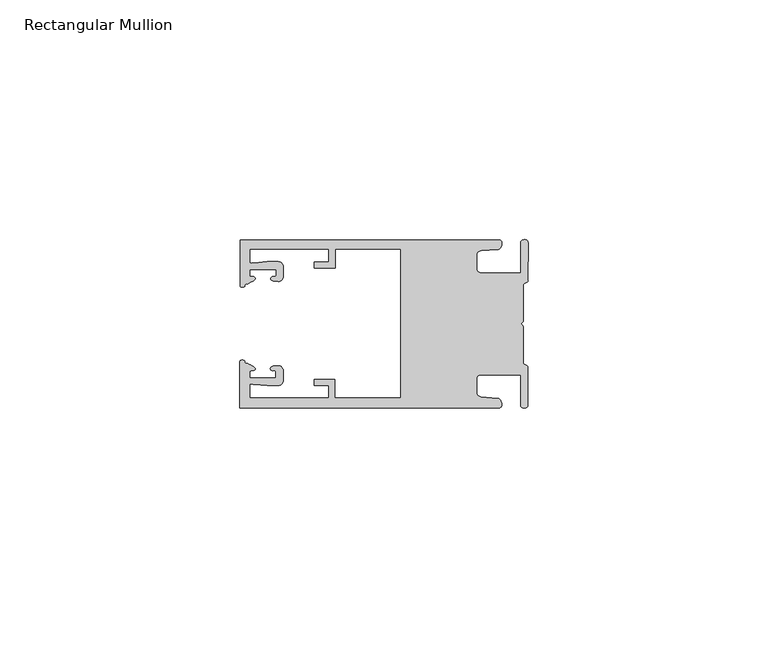
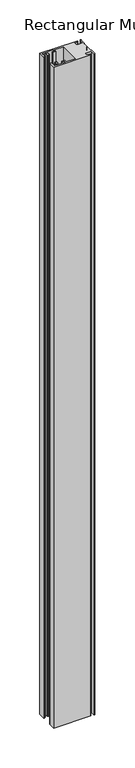
"""IFC4 building model written with IfcOpenShell, lengths in millimetres: member geometry, Rectangular Mullion."""

from ifc_helpers import new_model, si_unit, frame, origin, place, context, project, spatial, circle_curve, source, transform, mapped, element, save
from ifc_brep_helpers import plane_surface, cylinder_surface, extruded_surface, spline_curve, advanced_brep


def rectangular_mullion_5ef35bb8(model_context):
    return source(origin(), model_context, "Body", "AdvancedBrep", [
        advanced_brep(
        [(-60.0749377, 17.5111528, 0.0), (-60.0749377, 8.0140787, 0.0), (-59.3252567, 7.7187455, 0.0), (-58.4967974, 8.36785, 0.0), (-58.0726619, 10.1173923, 0.0), (-58.0713101, 11.3673916, 0.0), (-52.5713133, 11.3614437, 0.0), (-52.5726651, 10.1114444, 0.0), (-53.1427626, 8.8955539, 0.0), (-52.0740172, 8.8609044, 0.0), (-51.0729364, 9.8598224, 0.0), (-51.0706653, 11.9598211, 0.0), (-52.0700692, 12.9609024, 0.0), (-54.3905105, 12.9622843, 0.0), (-57.1599646, 12.7230061, 0.0), (-58.0696339, 12.9173907, 0.0), (-58.066768, 15.5673891, 0.0), (-41.5667584, 15.5673891, 0.0), (-41.5695894, 12.9495468, 0.0), (-44.5695877, 12.9527912, 0.0), (-44.5709936, 11.6527919, 0.0), (-40.2709961, 11.6481417, 0.0), (-40.2667576, 15.5673891, 0.0), (-26.6002952, 15.5673891, 0.0), (-26.6002952, -15.4518424, 0.0), (-40.3003032, -15.4518424, 0.0), (-40.2960856, -11.5518447, 0.0), (-44.5960831, -11.5471945, 0.0), (-44.597489, -12.8471938, 0.0), (-41.5974907, -12.8504381, 0.0), (-41.6003025, -15.4504366, 0.0), (-58.1002928, -15.4325927, 0.0), (-58.097427, -12.7825943, 0.0), (-57.1873395, -12.5901776, 0.0), (-54.4184094, -12.8354453, 0.0), (-52.0979705, -12.8390822, 0.0), (-51.0964037, -11.8401649, 0.0), (-51.0941327, -9.7401662, 0.0), (-52.0930507, -8.7390853, 0.0), (-53.1618685, -8.7714231, 0.0), (-52.5944022, -9.9885439, 0.0), (-52.595754, -11.2385431, 0.0), (-58.0957508, -11.2325952, 0.0), (-58.094399, -9.9825959, 0.0), (-58.5147494, -8.2321403, 0.0), (-59.3418028, -7.5812455, 0.0), (-60.0921208, -7.8749565, 0.0), (-60.0921208, -17.4888267, 0.0), (-6.1024861, -17.4888267, 0.0), (-6.5218639, -15.488372, 0.0), (-9.8784944, -15.2205466, 0.0), (-10.7989567, -14.2226333, 0.0), (-10.7961029, -11.5837474, 0.0), (-9.8734844, -10.5878272, 0.0), (-1.5950266, -10.5934991, 0.0), (-1.601948, -16.9936935, 0.0), (-0.1017194, -16.7830581, 0.0), (-0.0933208, -9.0170082, 0.0), (-1.0923837, -8.1499018, 0.0), (-1.0842165, -0.5977972, 0.0), (-1.0829111, 0.6093089, 0.0), (-1.0747439, 8.1614135, 0.0), (-0.0738079, 9.026357, 0.0), (-0.0654093, 16.7924069, 0.0), (-1.5651789, 17.0062866, 0.0), (-1.5651789, 10.6183257, 0.0), (-9.8505511, 10.6183257, 0.0), (-10.7710133, 11.6162391, 0.0), (-10.7681595, 14.255125, 0.0), (-9.845541, 15.2510452, 0.0), (-6.4883391, 15.5116099, 0.0), (-6.0646356, 17.5111528, 0.0), (-60.0749377, 17.5111528, -1016.0), (-6.0646356, 17.5111528, -1016.0), (-6.4883391, 15.5116099, -1016.0), (-9.845541, 15.2510452, -1016.0), (-10.7681595, 14.255125, -1016.0), (-10.7710133, 11.6162391, -1016.0), (-9.8505511, 10.6183257, -1016.0), (-1.5651789, 10.6183257, -1016.0), (-1.5651789, 17.0062866, -1016.0), (-0.0654093, 16.7924069, -1016.0), (-0.0738079, 9.026357, -1016.0), (-1.0747439, 8.1614135, -1016.0), (-1.0829111, 0.6093089, -1016.0), (-1.0842165, -0.5977972, -1016.0), (-1.0923837, -8.1499018, -1016.0), (-0.0933208, -9.0170082, -1016.0), (-0.1017194, -16.7830581, -1016.0), (-1.601948, -16.9936935, -1016.0), (-1.5950266, -10.5934991, -1016.0), (-9.8734844, -10.5878272, -1016.0), (-10.7961029, -11.5837474, -1016.0), (-10.7989567, -14.2226333, -1016.0), (-9.8784944, -15.2205466, -1016.0), (-6.5218639, -15.488372, -1016.0), (-6.1024861, -17.4888267, -1016.0), (-60.0921208, -17.4888267, -1016.0), (-60.0921208, -7.8749565, -1016.0), (-59.3418028, -7.5812455, -1016.0), (-58.5147494, -8.2321403, -1016.0), (-58.094399, -9.9825959, -1016.0), (-58.0957508, -11.2325952, -1016.0), (-52.595754, -11.2385431, -1016.0), (-52.5944022, -9.9885439, -1016.0), (-53.1618685, -8.7714231, -1016.0), (-52.0930507, -8.7390853, -1016.0), (-51.0941327, -9.7401662, -1016.0), (-51.0964037, -11.8401649, -1016.0), (-52.0979705, -12.8390823, -1016.0), (-54.4184094, -12.8354453, -1016.0), (-57.1873395, -12.5901776, -1016.0), (-58.097427, -12.7825943, -1016.0), (-58.1002928, -15.4325927, -1016.0), (-41.6003025, -15.4504366, -1016.0), (-41.5974907, -12.8504381, -1016.0), (-44.597489, -12.8471938, -1016.0), (-44.5960831, -11.5471945, -1016.0), (-40.2960856, -11.5518447, -1016.0), (-40.3003032, -15.4518424, -1016.0), (-26.6002952, -15.4518424, -1016.0), (-26.6002952, 15.5673891, -1016.0), (-40.2667576, 15.5673891, -1016.0), (-40.2709961, 11.6481417, -1016.0), (-44.5709936, 11.6527919, -1016.0), (-44.5695877, 12.9527912, -1016.0), (-41.5695894, 12.9495468, -1016.0), (-41.5667584, 15.5673891, -1016.0), (-58.066768, 15.5673891, -1016.0), (-58.0696339, 12.9173907, -1016.0), (-57.1599646, 12.7230061, -1016.0), (-54.3905105, 12.9622843, -1016.0), (-52.0700692, 12.9609023, -1016.0), (-51.0706653, 11.9598211, -1016.0), (-51.0729364, 9.8598224, -1016.0), (-52.0740172, 8.8609044, -1016.0), (-53.1427626, 8.8955539, -1016.0), (-52.5726651, 10.1114444, -1016.0), (-52.5713133, 11.3614437, -1016.0), (-58.0713101, 11.3673916, -1016.0), (-58.0726619, 10.1173923, -1016.0), (-58.4967974, 8.36785, -1016.0), (-59.3252567, 7.7187455, -1016.0), (-60.0749377, 8.0140787, -1016.0)],
        [
            (0, 1),
            (1, 2, spline_curve(3, [(-60.0749377, 8.0140787, 0.0), (-60.075233123, 7.740904774, 0.0), (-59.825339491, 7.642460332, 0.0), (-59.3252567, 7.7187455, 0.0)], [4, 4], [0.0, 0.0019169337574178654])),
            (2, 3, spline_curve(3, [(-59.3252567, 7.7187455, 0.0), (-59.094460914, 7.75918372, 0.0), (-59.054835463, 7.902257199, 0.0), (-59.05559987, 8.233305614, 0.0), (-59.138729113, 8.4134359, 0.0), (-58.4967974, 8.36785, 0.0)], [4, 2, 4], [0.0, 0.0010199524164107188, 0.0024874514725970356])),
            (3, 4, spline_curve(3, [(-58.4967974, 8.36785, 0.0), (-57.022393378, 9.053435667, 0.0), (-56.827266887, 9.364828726, 0.0), (-56.982213078, 9.742623404, 0.0), (-57.177375211, 9.855581791, 0.0), (-57.697928101, 9.887955071, 0.0), (-57.997449153, 9.835475348, 0.0), (-58.0726619, 10.1173923, 0.0)], [4, 2, 2, 4], [0.0, 0.003269869179570428, 0.005490050486237203, 0.0073545767114364426])),
            (4, 5),
            (5, 6),
            (6, 7),
            (7, 8, spline_curve(3, [(-52.5726651, 10.1114444, 0.0), (-52.667195519, 9.760172042, 0.0), (-52.937094388, 9.861877724, 0.0), (-53.356237032, 9.895631753, 0.0), (-53.491940439, 9.811038713, 0.0), (-53.761900775, 9.511438033, 0.0), (-53.892893546, 9.278787104, 0.0), (-53.1427626, 8.8955539, 0.0)], [4, 2, 2, 4], [0.0, 0.001593963049934732, 0.0033360256320283306, 0.005339140673503943])),
            (8, 9),
            (9, 10, circle_curve(frame((-52.0729358, 9.8609038, 0.0), z_axis=(0.0, 0.0, 1.0), x_axis=(-0.0010814451158600304, -0.9999994152380598, 0.0)), 1.0)),
            (10, 11),
            (11, 12, circle_curve(frame((-52.0706647, 11.9609026, 0.0), z_axis=(0.0, 0.0, 1.0), x_axis=(-0.0010814451158600304, -0.9999994152380598, 0.0)), 1.0)),
            (12, 13),
            (13, 14),
            (14, 15, spline_curve(3, [(-57.1599646, 12.7230061, 0.0), (-57.631533854, 12.682262968, 0.0), (-58.018602985, 12.477800124, 0.0), (-58.0696339, 12.9173907, 0.0)], [4, 4], [0.0, 0.0014803385355886016])),
            (15, 16),
            (16, 17),
            (17, 18),
            (18, 19),
            (19, 20),
            (20, 21),
            (21, 22),
            (22, 23),
            (23, 24),
            (24, 25),
            (25, 26),
            (26, 27),
            (27, 28),
            (28, 29),
            (29, 30),
            (30, 31),
            (31, 32),
            (32, 33, spline_curve(3, [(-58.097427, -12.7825943, 0.0), (-58.045445419, -12.343115126, 0.0), (-57.658819528, -12.548414611, 0.0), (-57.1873395, -12.5901776, 0.0)], [4, 4], [0.0, 0.0014803385355886016])),
            (33, 34),
            (34, 35),
            (35, 36, circle_curve(frame((-52.0964031, -11.8390835, 0.0), z_axis=(0.0, 0.0, 1.0), x_axis=(0.0010814451158600304, 0.9999994152380598, 0.0)), 1.0)),
            (36, 37),
            (37, 38, circle_curve(frame((-52.0941321, -9.7390847, 0.0), z_axis=(0.0, 0.0, 1.0), x_axis=(0.0010814451158600304, 0.9999994152380598, 0.0)), 1.0)),
            (38, 39),
            (39, 40, spline_curve(3, [(-53.1618685, -8.7714231, 0.0), (-53.912826582, -9.153032958, 0.0), (-53.782337352, -9.385966711, 0.0), (-53.51302565, -9.686150585, 0.0), (-53.377505444, -9.771037009, 0.0), (-52.958290774, -9.738189618, 0.0), (-52.688172635, -9.637067904, 0.0), (-52.5944022, -9.9885439, 0.0)], [4, 2, 2, 4], [0.0, 0.002003115041475612, 0.0037451776235692107, 0.005339140673503943])),
            (40, 41),
            (41, 42),
            (42, 43),
            (43, 44, spline_curve(3, [(-58.094399, -9.9825959, 0.0), (-58.018576674, -9.700842284, 0.0), (-57.719169706, -9.753969703, 0.0), (-57.198548014, -9.722722397, 0.0), (-57.003142178, -9.61018632, 0.0), (-56.847379222, -9.232727657, 0.0), (-57.041831673, -8.920913336, 0.0), (-58.5147494, -8.2321403, 0.0)], [4, 2, 2, 4], [0.0, 0.0018645262251992395, 0.004084707531866015, 0.0073545767114364426])),
            (44, 45, spline_curve(3, [(-58.5147494, -8.2321403, 0.0), (-59.156778208, -8.276337666, 0.0), (-59.073259494, -8.096387681, 0.0), (-59.071779067, -7.765341694, 0.0), (-59.111095017, -7.622182811, 0.0), (-59.3418028, -7.5812455, 0.0)], [4, 2, 4], [0.0, 0.0014674990561863168, 0.0024874514725970356])),
            (45, 46, spline_curve(3, [(-59.3418028, -7.5812455, 0.0), (-59.841719425, -7.503878887, 0.0), (-60.091825377, -7.601782574, 0.0), (-60.0921208, -7.8749565, 0.0)], [4, 4], [0.0, 0.0019169337574178654])),
            (46, 47),
            (47, 48),
            (48, 49, spline_curve(3, [(-6.1024861, -17.4888267, 0.0), (-5.074532184, -17.418062188, 0.0), (-5.631140689, -15.411414367, 0.0), (-6.5218639, -15.488372, 0.0)], [4, 4], [0.0, 0.0043819361547461745])),
            (49, 50),
            (50, 51, spline_curve(3, [(-9.8784944, -15.2205466, 0.0), (-10.440691543, -15.150698463, 0.0), (-10.74751234, -14.818060727, 0.0), (-10.7989567, -14.2226333, 0.0)], [4, 4], [0.0, 0.0028645797420738927])),
            (51, 52),
            (52, 53, spline_curve(3, [(-10.7961029, -11.5837474, 0.0), (-10.743370817, -10.988432634, 0.0), (-10.435831301, -10.656459204, 0.0), (-9.8734844, -10.5878272, 0.0)], [4, 4], [0.0, 0.0028645797420738927])),
            (53, 54),
            (54, 55),
            (55, 56, spline_curve(3, [(-1.601948, -16.9936935, 0.0), (-1.655676874, -17.600261454, 0.0), (-0.043737403, -17.912795581, 0.0), (-0.1017194, -16.7830581, 0.0)], [4, 4], [0.0, 0.0036987374396357936])),
            (56, 57),
            (57, 58, spline_curve(3, [(-0.0933208, -9.0170082, 0.0), (-0.018818183, -8.695886697, 0.0), (-1.193434327, -8.459763043, 0.0), (-1.0923837, -8.1499018, 0.0)], [4, 4], [0.0, 0.002027216749630121])),
            (58, 59),
            (59, 60, spline_curve(3, [(-1.0842165, -0.5977972, 0.0), (-1.013223198, -0.445980437, 0.0), (-1.487945123, -0.206736825, 0.0), (-1.487409651, 0.231097965, 0.0), (-0.999110985, 0.429090391, 0.0), (-1.0829111, 0.6093089, 0.0)], [4, 2, 4], [0.0, 0.00249866671847065, 0.005031402919736269])),
            (60, 61),
            (61, 62, spline_curve(3, [(-1.0747439, 8.1614135, 0.0), (-1.175124095, 8.47149258, 0.0), (-7e-09, 8.705075107, 0.0), (-0.0738079, 9.026357, 0.0)], [4, 4], [0.0, 0.002027216749630121])),
            (62, 63),
            (63, 64, spline_curve(3, [(-0.0654093, 16.7924069, 0.0), (-0.004983942, 17.92201633, 0.0), (-1.617595709, 17.612969344, 0.0), (-1.5651789, 17.0062866, 0.0)], [4, 4], [0.0, 0.0036987374396357936])),
            (64, 65),
            (65, 66),
            (66, 67, spline_curve(3, [(-9.8505511, 10.6183257, 0.0), (-10.412748243, 10.688173837, 0.0), (-10.71956894, 11.020811673, 0.0), (-10.7710133, 11.6162391, 0.0)], [4, 4], [0.0, 0.0028645797420738927])),
            (67, 68),
            (68, 69, spline_curve(3, [(-10.7681595, 14.255125, 0.0), (-10.715427417, 14.850439766, 0.0), (-10.407887901, 15.182413196, 0.0), (-9.845541, 15.2510452, 0.0)], [4, 4], [0.0, 0.0028645797420738927])),
            (69, 70),
            (70, 71, spline_curve(3, [(-6.4883391, 15.5116099, 0.0), (-5.597784423, 15.432725911, 0.0), (-5.036837144, 17.438165103, 0.0), (-6.0646356, 17.5111528, 0.0)], [4, 4], [0.0, 0.0043819361547461745])),
            (71, 0),
            (72, 73),
            (73, 74, spline_curve(3, [(-6.0646356, 17.5111528, -1016.0), (-5.036837144, 17.438165103, -1016.0), (-5.597784423, 15.432725911, -1016.0), (-6.4883391, 15.5116099, -1016.0)], [4, 4], [0.0, 0.0043819361547461745])),
            (74, 75),
            (75, 76, spline_curve(3, [(-9.845541, 15.2510452, -1016.0), (-10.407887901, 15.182413196, -1016.0), (-10.715427417, 14.850439766, -1016.0), (-10.7681595, 14.255125, -1016.0)], [4, 4], [0.0, 0.0028645797420738927])),
            (76, 77),
            (77, 78, spline_curve(3, [(-10.7710133, 11.6162391, -1016.0), (-10.71956894, 11.020811673, -1016.0), (-10.412748243, 10.688173837, -1016.0), (-9.8505511, 10.6183257, -1016.0)], [4, 4], [0.0, 0.0028645797420738927])),
            (78, 79),
            (79, 80),
            (80, 81, spline_curve(3, [(-1.5651789, 17.0062866, -1016.0), (-1.617595709, 17.612969344, -1016.0), (-0.004983942, 17.92201633, -1016.0), (-0.0654093, 16.7924069, -1016.0)], [4, 4], [0.0, 0.0036987374396357936])),
            (81, 82),
            (82, 83, spline_curve(3, [(-0.0738079, 9.026357, -1016.0), (-7e-09, 8.705075107, -1016.0), (-1.175124095, 8.47149258, -1016.0), (-1.0747439, 8.1614135, -1016.0)], [4, 4], [0.0, 0.002027216749630121])),
            (83, 84),
            (84, 85, spline_curve(3, [(-1.0829111, 0.6093089, -1016.0), (-0.999110985, 0.429090391, -1016.0), (-1.487409651, 0.231097965, -1016.0), (-1.487945123, -0.206736825, -1016.0), (-1.013223198, -0.445980437, -1016.0), (-1.0842165, -0.5977972, -1016.0)], [4, 2, 4], [0.0, 0.002532736201265619, 0.005031402919736269])),
            (85, 86),
            (86, 87, spline_curve(3, [(-1.0923837, -8.1499018, -1016.0), (-1.193434327, -8.459763043, -1016.0), (-0.018818183, -8.695886697, -1016.0), (-0.0933208, -9.0170082, -1016.0)], [4, 4], [0.0, 0.002027216749630121])),
            (87, 88),
            (88, 89, spline_curve(3, [(-0.1017194, -16.7830581, -1016.0), (-0.043737403, -17.912795581, -1016.0), (-1.655676874, -17.600261454, -1016.0), (-1.601948, -16.9936935, -1016.0)], [4, 4], [0.0, 0.0036987374396357936])),
            (89, 90),
            (90, 91),
            (91, 92, spline_curve(3, [(-9.8734844, -10.5878272, -1016.0), (-10.435831301, -10.656459204, -1016.0), (-10.743370817, -10.988432634, -1016.0), (-10.7961029, -11.5837474, -1016.0)], [4, 4], [0.0, 0.0028645797420738927])),
            (92, 93),
            (93, 94, spline_curve(3, [(-10.7989567, -14.2226333, -1016.0), (-10.74751234, -14.818060727, -1016.0), (-10.440691543, -15.150698463, -1016.0), (-9.8784944, -15.2205466, -1016.0)], [4, 4], [0.0, 0.0028645797420738927])),
            (94, 95),
            (95, 96, spline_curve(3, [(-6.5218639, -15.488372, -1016.0), (-5.631140689, -15.411414367, -1016.0), (-5.074532184, -17.418062188, -1016.0), (-6.1024861, -17.4888267, -1016.0)], [4, 4], [0.0, 0.0043819361547461745])),
            (96, 97),
            (97, 98),
            (98, 99, spline_curve(3, [(-60.0921208, -7.8749565, -1016.0), (-60.091825377, -7.601782574, -1016.0), (-59.841719425, -7.503878887, -1016.0), (-59.3418028, -7.5812455, -1016.0)], [4, 4], [0.0, 0.0019169337574178654])),
            (99, 100, spline_curve(3, [(-59.3418028, -7.5812455, -1016.0), (-59.111095017, -7.622182811, -1016.0), (-59.071779067, -7.765341694, -1016.0), (-59.073259494, -8.096387681, -1016.0), (-59.156778208, -8.276337666, -1016.0), (-58.5147494, -8.2321403, -1016.0)], [4, 2, 4], [0.0, 0.0010199524164107188, 0.0024874514725970356])),
            (100, 101, spline_curve(3, [(-58.5147494, -8.2321403, -1016.0), (-57.041831673, -8.920913336, -1016.0), (-56.847379222, -9.232727657, -1016.0), (-57.003142178, -9.61018632, -1016.0), (-57.198548014, -9.722722397, -1016.0), (-57.719169706, -9.753969703, -1016.0), (-58.018576674, -9.700842284, -1016.0), (-58.094399, -9.9825959, -1016.0)], [4, 2, 2, 4], [0.0, 0.003269869179570428, 0.005490050486237203, 0.0073545767114364426])),
            (101, 102),
            (102, 103),
            (103, 104),
            (104, 105, spline_curve(3, [(-52.5944022, -9.9885439, -1016.0), (-52.688172635, -9.637067904, -1016.0), (-52.958290774, -9.738189618, -1016.0), (-53.377505444, -9.771037009, -1016.0), (-53.51302565, -9.686150585, -1016.0), (-53.782337352, -9.385966711, -1016.0), (-53.912826582, -9.153032958, -1016.0), (-53.1618685, -8.7714231, -1016.0)], [4, 2, 2, 4], [0.0, 0.001593963049934732, 0.0033360256320283306, 0.005339140673503943])),
            (105, 106),
            (106, 107, circle_curve(frame((-52.0941321, -9.7390847, -1016.0), z_axis=(0.0, 0.0, -1.0), x_axis=(0.0010814451158600304, 0.9999994152380598, 0.0)), 1.0)),
            (107, 108),
            (108, 109, circle_curve(frame((-52.0964031, -11.8390835, -1016.0), z_axis=(0.0, 0.0, -1.0), x_axis=(0.0010814451158600304, 0.9999994152380598, 0.0)), 1.0)),
            (109, 110),
            (110, 111),
            (111, 112, spline_curve(3, [(-57.1873395, -12.5901776, -1016.0), (-57.658819528, -12.548414611, -1016.0), (-58.045445419, -12.343115126, -1016.0), (-58.097427, -12.7825943, -1016.0)], [4, 4], [0.0, 0.0014803385355886016])),
            (112, 113),
            (113, 114),
            (114, 115),
            (115, 116),
            (116, 117),
            (117, 118),
            (118, 119),
            (119, 120),
            (120, 121),
            (121, 122),
            (122, 123),
            (123, 124),
            (124, 125),
            (125, 126),
            (126, 127),
            (127, 128),
            (128, 129),
            (129, 130, spline_curve(3, [(-58.0696339, 12.9173907, -1016.0), (-58.018602985, 12.477800124, -1016.0), (-57.631533854, 12.682262968, -1016.0), (-57.1599646, 12.7230061, -1016.0)], [4, 4], [0.0, 0.0014803385355886016])),
            (130, 131),
            (131, 132),
            (132, 133, circle_curve(frame((-52.0706647, 11.9609026, -1016.0), z_axis=(0.0, 0.0, -1.0), x_axis=(-0.0010814451158600304, -0.9999994152380598, 0.0)), 1.0)),
            (133, 134),
            (134, 135, circle_curve(frame((-52.0729358, 9.8609038, -1016.0), z_axis=(0.0, 0.0, -1.0), x_axis=(-0.0010814451158600304, -0.9999994152380598, 0.0)), 1.0)),
            (135, 136),
            (136, 137, spline_curve(3, [(-53.1427626, 8.8955539, -1016.0), (-53.892893546, 9.278787104, -1016.0), (-53.761900775, 9.511438033, -1016.0), (-53.491940439, 9.811038713, -1016.0), (-53.356237032, 9.895631753, -1016.0), (-52.937094388, 9.861877724, -1016.0), (-52.667195519, 9.760172042, -1016.0), (-52.5726651, 10.1114444, -1016.0)], [4, 2, 2, 4], [0.0, 0.002003115041475612, 0.0037451776235692107, 0.005339140673503943])),
            (137, 138),
            (138, 139),
            (139, 140),
            (140, 141, spline_curve(3, [(-58.0726619, 10.1173923, -1016.0), (-57.997449153, 9.835475348, -1016.0), (-57.697928101, 9.887955071, -1016.0), (-57.177375211, 9.855581791, -1016.0), (-56.982213078, 9.742623404, -1016.0), (-56.827266887, 9.364828726, -1016.0), (-57.022393378, 9.053435667, -1016.0), (-58.4967974, 8.36785, -1016.0)], [4, 2, 2, 4], [0.0, 0.0018645262251992395, 0.004084707531866015, 0.0073545767114364426])),
            (141, 142, spline_curve(3, [(-58.4967974, 8.36785, -1016.0), (-59.138729113, 8.4134359, -1016.0), (-59.05559987, 8.233305614, -1016.0), (-59.054835463, 7.902257199, -1016.0), (-59.094460914, 7.75918372, -1016.0), (-59.3252567, 7.7187455, -1016.0)], [4, 2, 4], [0.0, 0.0014674990561863168, 0.0024874514725970356])),
            (142, 143, spline_curve(3, [(-59.3252567, 7.7187455, -1016.0), (-59.825339491, 7.642460332, -1016.0), (-60.075233123, 7.740904774, -1016.0), (-60.0749377, 8.0140787, -1016.0)], [4, 4], [0.0, 0.0019169337574178654])),
            (143, 72),
            (0, 72),
            (143, 1),
            (142, 2),
            (141, 3),
            (140, 4),
            (139, 5),
            (138, 6),
            (137, 7),
            (136, 8),
            (135, 9),
            (134, 10),
            (133, 11),
            (132, 12),
            (131, 13),
            (130, 14),
            (129, 15),
            (128, 16),
            (127, 17),
            (126, 18),
            (125, 19),
            (124, 20),
            (123, 21),
            (122, 22),
            (121, 23),
            (120, 24),
            (119, 25),
            (118, 26),
            (117, 27),
            (116, 28),
            (115, 29),
            (114, 30),
            (113, 31),
            (112, 32),
            (111, 33),
            (110, 34),
            (109, 35),
            (108, 36),
            (107, 37),
            (106, 38),
            (105, 39),
            (104, 40),
            (103, 41),
            (102, 42),
            (101, 43),
            (100, 44),
            (99, 45),
            (98, 46),
            (97, 47),
            (96, 48),
            (95, 49),
            (94, 50),
            (93, 51),
            (92, 52),
            (91, 53),
            (90, 54),
            (89, 55),
            (88, 56),
            (87, 57),
            (86, 58),
            (85, 59),
            (84, 60),
            (83, 61),
            (82, 62),
            (81, 63),
            (80, 64),
            (79, 65),
            (78, 66),
            (77, 67),
            (76, 68),
            (75, 69),
            (74, 70),
            (73, 71),
        ],
        [
            plane_surface(frame((0.0, -62.5853181, 0.0), z_axis=(0.0, 0.0, 1.0), x_axis=(-1.0, 0.0, 0.0))),
            plane_surface(frame((0.0, -62.5853181, -1016.0), z_axis=(0.0, 0.0, -1.0), x_axis=(-1.0, 0.0, 0.0))),
            plane_surface(frame((-60.0749377, 17.5111528, 0.0), z_axis=(-1.0, 0.0, 0.0), x_axis=(0.0, 0.0, -1.0))),
            extruded_surface(spline_curve(3, [(-60.0749377, 8.0140787, -1016.0), (-60.075233123, 7.740904774, -1016.0), (-59.825339491, 7.642460332, -1016.0), (-59.3252567, 7.7187455, -1016.0)], [4, 4], [0.0, 0.0019169337574178654]), (0.0, 0.0, 1016.0), 1016.0),
            extruded_surface(spline_curve(3, [(-59.3252567, 7.7187455, -1016.0), (-59.094460914, 7.75918372, -1016.0), (-59.054835463, 7.902257199, -1016.0), (-59.05559987, 8.233305614, -1016.0), (-59.138729113, 8.4134359, -1016.0), (-58.4967974, 8.36785, -1016.0)], [4, 2, 4], [0.0, 0.0010199524164107188, 0.0024874514725970356]), (0.0, 0.0, 1016.0), 1016.0),
            extruded_surface(spline_curve(3, [(-58.4967974, 8.36785, -1016.0), (-57.022393378, 9.053435667, -1016.0), (-56.827266887, 9.364828726, -1016.0), (-56.982213078, 9.742623404, -1016.0), (-57.177375211, 9.855581791, -1016.0), (-57.697928101, 9.887955071, -1016.0), (-57.997449153, 9.835475348, -1016.0), (-58.0726619, 10.1173923, -1016.0)], [4, 2, 2, 4], [0.0, 0.003269869179570428, 0.005490050486237203, 0.0073545767114364426]), (0.0, 0.0, 1016.0), 1016.0),
            plane_surface(frame((-58.0726619, 10.1173923, 0.0), z_axis=(0.9999994152380598, -0.0010814451158634145, 0.0), x_axis=(0.0, 0.0, -1.0))),
            plane_surface(frame((-58.0713101, 11.3673916, 0.0), z_axis=(-0.0010814451158616418, -0.9999994152380598, 0.0), x_axis=(0.0, 0.0, -1.0))),
            plane_surface(frame((-52.5713133, 11.3614437, 0.0), z_axis=(-0.9999994152380598, 0.0010814451158643293, 0.0), x_axis=(0.0, 0.0, -1.0))),
            extruded_surface(spline_curve(3, [(-52.5726651, 10.1114444, -1016.0), (-52.667195519, 9.760172042, -1016.0), (-52.937094388, 9.861877724, -1016.0), (-53.356237032, 9.895631753, -1016.0), (-53.491940439, 9.811038713, -1016.0), (-53.761900775, 9.511438033, -1016.0), (-53.892893546, 9.278787104, -1016.0), (-53.1427626, 8.8955539, -1016.0)], [4, 2, 2, 4], [0.0, 0.001593963049934732, 0.0033360256320283306, 0.005339140673503943]), (0.0, 0.0, 1016.0), 1016.0),
            plane_surface(frame((-53.1427626, 8.8955539, 0.0), z_axis=(-0.032403661401520414, -0.9994748634797054, 0.0), x_axis=(0.0, 0.0, -1.0))),
            cylinder_surface(frame((-52.0729358, 9.8609038, 0.0), z_axis=(0.0, 0.0, 1.0000000000000002), x_axis=(-0.0010814451158600304, -0.9999994152380598, 0.0)), 1.0),
            plane_surface(frame((-51.0729364, 9.8598224, 0.0), z_axis=(0.9999994152380598, -0.001081445115864059, 0.0), x_axis=(0.0, 0.0, -1.0))),
            cylinder_surface(frame((-52.0706647, 11.9609026, 0.0), z_axis=(0.0, 0.0, 1.0000000000000002), x_axis=(-0.0010814451158600304, -0.9999994152380598, 0.0)), 1.0),
            plane_surface(frame((-52.0700692, 12.9609023, 0.0), z_axis=(0.0005955716436318007, 0.999999822647193, 0.0), x_axis=(0.0, 0.0, -1.0))),
            plane_surface(frame((-54.3905105, 12.9622843, 0.0), z_axis=(-0.08607836189159865, 0.9962883697073147, 0.0), x_axis=(0.0, 0.0, -1.0))),
            extruded_surface(spline_curve(3, [(-57.1599646, 12.7230061, -1016.0), (-57.631533854, 12.682262968, -1016.0), (-58.018602985, 12.477800124, -1016.0), (-58.0696339, 12.9173907, -1016.0)], [4, 4], [0.0, 0.0014803385355886016]), (0.0, 0.0, 1016.0), 1016.0),
            plane_surface(frame((-58.0696339, 12.9173907, 0.0), z_axis=(0.9999994152380598, -0.0010814451158629996, 0.0), x_axis=(0.0, 0.0, -1.0))),
            plane_surface(frame((-58.066768, 15.5673891, 0.0), z_axis=(0.0, -1.0, 0.0), x_axis=(0.0, 0.0, -1.0))),
            plane_surface(frame((-41.5667584, 15.5673891, 0.0), z_axis=(-0.9999994152380598, 0.0010814451158636304, 0.0), x_axis=(0.0, 0.0, -1.0))),
            plane_surface(frame((-41.5695894, 12.9495468, 0.0), z_axis=(0.0010814451158615687, 0.9999994152380598, 0.0), x_axis=(0.0, 0.0, -1.0))),
            plane_surface(frame((-44.5695877, 12.9527912, 0.0), z_axis=(-0.9999994152380598, 0.0010814451158626742, 0.0), x_axis=(0.0, 0.0, -1.0))),
            plane_surface(frame((-44.5709936, 11.6527919, 0.0), z_axis=(-0.001081445115861604, -0.9999994152380598, 0.0), x_axis=(0.0, 0.0, -1.0))),
            plane_surface(frame((-40.2709961, 11.6481417, 0.0), z_axis=(0.9999994152380598, -0.001081445115863507, 0.0), x_axis=(0.0, 0.0, -1.0))),
            plane_surface(frame((-40.2667576, 15.5673891, 0.0), z_axis=(0.0, -1.0, 0.0), x_axis=(0.0, 0.0, -1.0))),
            plane_surface(frame((-26.6002952, 15.5673891, 0.0), z_axis=(-1.0, 0.0, 0.0), x_axis=(0.0, 0.0, -1.0))),
            plane_surface(frame((-26.6002952, -15.4518424, 0.0), z_axis=(0.0, 1.0, 0.0), x_axis=(0.0, 0.0, -1.0))),
            plane_surface(frame((-40.3003032, -15.4518424, 0.0), z_axis=(0.9999994152380598, -0.0010814451158565538, 0.0), x_axis=(0.0, 0.0, -1.0))),
            plane_surface(frame((-40.2960856, -11.5518447, 0.0), z_axis=(0.0010814451158584568, 0.9999994152380598, 0.0), x_axis=(0.0, 0.0, -1.0))),
            plane_surface(frame((-44.5960831, -11.5471945, 0.0), z_axis=(-0.9999994152380598, 0.0010814451158573867, 0.0), x_axis=(0.0, 0.0, -1.0))),
            plane_surface(frame((-44.597489, -12.8471938, 0.0), z_axis=(-0.0010814451158584922, -0.9999994152380598, 0.0), x_axis=(0.0, 0.0, -1.0))),
            plane_surface(frame((-41.5974907, -12.8504381, 0.0), z_axis=(-0.9999994152380598, 0.0010814451158564305, 0.0), x_axis=(0.0, 0.0, -1.0))),
            plane_surface(frame((-41.6003025, -15.4504366, 0.0), z_axis=(0.0010814451158583872, 0.9999994152380598, 0.0), x_axis=(0.0, 0.0, -1.0))),
            plane_surface(frame((-58.1002928, -15.4325927, 0.0), z_axis=(0.9999994152380598, -0.0010814451158570612, 0.0), x_axis=(0.0, 0.0, -1.0))),
            extruded_surface(spline_curve(3, [(-58.097427, -12.7825943, -1016.0), (-58.045445419, -12.343115126, -1016.0), (-57.658819528, -12.548414611, -1016.0), (-57.1873395, -12.5901776, -1016.0)], [4, 4], [0.0, 0.0014803385355886016]), (0.0, 0.0, 1016.0), 1016.0),
            plane_surface(frame((-57.1873395, -12.5901776, 0.0), z_axis=(-0.0882330216729926, -0.9960998614026876, 0.0), x_axis=(0.0, 0.0, -1.0))),
            plane_surface(frame((-54.4184094, -12.8354453, 0.0), z_axis=(-0.0015673183327880543, -0.9999987717558677, 0.0), x_axis=(0.0, 0.0, -1.0))),
            cylinder_surface(frame((-52.0964031, -11.8390835, 0.0), z_axis=(0.0, 0.0, 1.0000000000000002), x_axis=(0.0010814451158600304, 0.9999994152380598, 0.0)), 1.0),
            plane_surface(frame((-51.0964037, -11.8401649, 0.0), z_axis=(0.9999994152380598, -0.001081445115856002, 0.0), x_axis=(0.0, 0.0, -1.0))),
            cylinder_surface(frame((-52.0941321, -9.7390847, 0.0), z_axis=(0.0, 0.0, 1.0000000000000002), x_axis=(0.0010814451158600304, 0.9999994152380598, 0.0)), 1.0),
            plane_surface(frame((-52.0930507, -8.7390853, 0.0), z_axis=(-0.030241832452872642, 0.9995426111826812, 0.0), x_axis=(0.0, 0.0, -1.0))),
            extruded_surface(spline_curve(3, [(-53.1618685, -8.7714231, -1016.0), (-53.912826582, -9.153032958, -1016.0), (-53.782337352, -9.385966711, -1016.0), (-53.51302565, -9.686150585, -1016.0), (-53.377505444, -9.771037009, -1016.0), (-52.958290774, -9.738189618, -1016.0), (-52.688172635, -9.637067904, -1016.0), (-52.5944022, -9.9885439, -1016.0)], [4, 2, 2, 4], [0.0, 0.002003115041475612, 0.0037451776235692107, 0.005339140673503943]), (0.0, 0.0, 1016.0), 1016.0),
            plane_surface(frame((-52.5944022, -9.9885439, 0.0), z_axis=(-0.9999994152380598, 0.0010814451158557316, 0.0), x_axis=(0.0, 0.0, -1.0))),
            plane_surface(frame((-52.595754, -11.2385431, 0.0), z_axis=(0.001081445115858419, 0.9999994152380598, 0.0), x_axis=(0.0, 0.0, -1.0))),
            plane_surface(frame((-58.0957508, -11.2325952, 0.0), z_axis=(0.9999994152380598, -0.0010814451158566464, 0.0), x_axis=(0.0, 0.0, -1.0))),
            extruded_surface(spline_curve(3, [(-58.094399, -9.9825959, -1016.0), (-58.018576674, -9.700842284, -1016.0), (-57.719169706, -9.753969703, -1016.0), (-57.198548014, -9.722722397, -1016.0), (-57.003142178, -9.61018632, -1016.0), (-56.847379222, -9.232727657, -1016.0), (-57.041831673, -8.920913336, -1016.0), (-58.5147494, -8.2321403, -1016.0)], [4, 2, 2, 4], [0.0, 0.0018645262251992395, 0.004084707531866015, 0.0073545767114364426]), (0.0, 0.0, 1016.0), 1016.0),
            extruded_surface(spline_curve(3, [(-58.5147494, -8.2321403, -1016.0), (-59.156778208, -8.276337666, -1016.0), (-59.073259494, -8.096387681, -1016.0), (-59.071779067, -7.765341694, -1016.0), (-59.111095017, -7.622182811, -1016.0), (-59.3418028, -7.5812455, -1016.0)], [4, 2, 4], [0.0, 0.0014674990561863168, 0.0024874514725970356]), (0.0, 0.0, 1016.0), 1016.0),
            extruded_surface(spline_curve(3, [(-59.3418028, -7.5812455, -1016.0), (-59.841719425, -7.503878887, -1016.0), (-60.091825377, -7.601782574, -1016.0), (-60.0921208, -7.8749565, -1016.0)], [4, 4], [0.0, 0.0019169337574178654]), (0.0, 0.0, 1016.0), 1016.0),
            plane_surface(frame((-60.0921208, -7.8749565, 0.0), z_axis=(-1.0, 0.0, 0.0), x_axis=(0.0, 0.0, -1.0))),
            plane_surface(frame((-60.0921208, -17.4888267, 0.0), z_axis=(0.0, -1.0, 0.0), x_axis=(0.0, 0.0, -1.0))),
            extruded_surface(spline_curve(3, [(-6.1024861, -17.4888267, -1016.0), (-5.074532184, -17.418062188, -1016.0), (-5.631140689, -15.411414367, -1016.0), (-6.5218639, -15.488372, -1016.0)], [4, 4], [0.0, 0.0043819361547461745]), (0.0, 0.0, 1016.0), 1016.0),
            plane_surface(frame((-6.5218639, -15.488372, 0.0), z_axis=(0.07953716124904908, 0.9968319015663789, 0.0), x_axis=(0.0, 0.0, -1.0))),
            extruded_surface(spline_curve(3, [(-9.8784944, -15.2205466, -1016.0), (-10.440691543, -15.150698463, -1016.0), (-10.74751234, -14.818060727, -1016.0), (-10.7989567, -14.2226333, -1016.0)], [4, 4], [0.0, 0.0028645797420738927]), (0.0, 0.0, 1016.0), 1016.0),
            plane_surface(frame((-10.7989567, -14.2226333, 0.0), z_axis=(0.9999994152380598, -0.0010814451158568247, 0.0), x_axis=(0.0, 0.0, -1.0))),
            extruded_surface(spline_curve(3, [(-10.7961029, -11.5837474, -1016.0), (-10.743370817, -10.988432634, -1016.0), (-10.435831301, -10.656459204, -1016.0), (-9.8734844, -10.5878272, -1016.0)], [4, 4], [0.0, 0.0028645797420738927]), (0.0, 0.0, 1016.0), 1016.0),
            plane_surface(frame((-9.8734844, -10.5878272, 0.0), z_axis=(-0.0006851371995361226, -0.9999997652934814, 0.0), x_axis=(0.0, 0.0, -1.0))),
            plane_surface(frame((-1.5950266, -10.5934991, 0.0), z_axis=(-0.9999994152380598, 0.0010814451158568644, 0.0), x_axis=(0.0, 0.0, -1.0))),
            extruded_surface(spline_curve(3, [(-1.601948, -16.9936935, -1016.0), (-1.655676874, -17.600261454, -1016.0), (-0.043737403, -17.912795581, -1016.0), (-0.1017194, -16.7830581, -1016.0)], [4, 4], [0.0, 0.0036987374396357936]), (0.0, 0.0, 1016.0), 1016.0),
            plane_surface(frame((-0.1017194, -16.7830581, 0.0), z_axis=(0.9999994152380598, -0.001081445115856699, 0.0), x_axis=(0.0, 0.0, -1.0))),
            extruded_surface(spline_curve(3, [(-0.0933208, -9.0170082, -1016.0), (-0.018818183, -8.695886697, -1016.0), (-1.193434327, -8.459763043, -1016.0), (-1.0923837, -8.1499018, -1016.0)], [4, 4], [0.0, 0.002027216749630121]), (0.0, 0.0, 1016.0), 1016.0),
            plane_surface(frame((-1.0923837, -8.1499018, 0.0), z_axis=(0.9999994152380598, -0.0010814451158566698, 0.0), x_axis=(0.0, 0.0, -1.0))),
            extruded_surface(spline_curve(3, [(-1.0842165, -0.5977972, -1016.0), (-1.013223198, -0.445980437, -1016.0), (-1.487945123, -0.206736825, -1016.0), (-1.487409651, 0.231097965, -1016.0), (-0.999110985, 0.429090391, -1016.0), (-1.0829111, 0.6093089, -1016.0)], [4, 2, 4], [0.0, 0.00249866671847065, 0.005031402919736269]), (0.0, 0.0, 1016.0), 1016.0),
            plane_surface(frame((-1.0829111, 0.6093089, 0.0), z_axis=(0.9999994152380598, -0.001081445115863391, 0.0), x_axis=(0.0, 0.0, -1.0))),
            extruded_surface(spline_curve(3, [(-1.0747439, 8.1614135, -1016.0), (-1.175124095, 8.47149258, -1016.0), (-7e-09, 8.705075107, -1016.0), (-0.0738079, 9.026357, -1016.0)], [4, 4], [0.0, 0.002027216749630121]), (0.0, 0.0, 1016.0), 1016.0),
            plane_surface(frame((-0.0738079, 9.026357, 0.0), z_axis=(0.9999994152380598, -0.001081445115863362, 0.0), x_axis=(0.0, 0.0, -1.0))),
            extruded_surface(spline_curve(3, [(-0.0654093, 16.7924069, -1016.0), (-0.004983942, 17.92201633, -1016.0), (-1.617595709, 17.612969344, -1016.0), (-1.5651789, 17.0062866, -1016.0)], [4, 4], [0.0, 0.0036987374396357936]), (0.0, 0.0, 1016.0), 1016.0),
            plane_surface(frame((-1.5651789, 17.0062866, 0.0), z_axis=(-1.0, 0.0, 0.0), x_axis=(0.0, 0.0, -1.0))),
            plane_surface(frame((-1.5651789, 10.6183257, 0.0), z_axis=(0.0, 1.0, 0.0), x_axis=(0.0, 0.0, -1.0))),
            extruded_surface(spline_curve(3, [(-9.8505511, 10.6183257, -1016.0), (-10.412748243, 10.688173837, -1016.0), (-10.71956894, 11.020811673, -1016.0), (-10.7710133, 11.6162391, -1016.0)], [4, 4], [0.0, 0.0028645797420738927]), (0.0, 0.0, 1016.0), 1016.0),
            plane_surface(frame((-10.7710133, 11.6162391, 0.0), z_axis=(0.9999994152380598, -0.0010814451158632362, 0.0), x_axis=(0.0, 0.0, -1.0))),
            extruded_surface(spline_curve(3, [(-10.7681595, 14.255125, -1016.0), (-10.715427417, 14.850439766, -1016.0), (-10.407887901, 15.182413196, -1016.0), (-9.845541, 15.2510452, -1016.0)], [4, 4], [0.0, 0.0028645797420738927]), (0.0, 0.0, 1016.0), 1016.0),
            plane_surface(frame((-9.845541, 15.2510452, 0.0), z_axis=(0.07738093848608862, -0.9970015999781607, 0.0), x_axis=(0.0, 0.0, -1.0))),
            extruded_surface(spline_curve(3, [(-6.4883391, 15.5116099, -1016.0), (-5.597784423, 15.432725911, -1016.0), (-5.036837144, 17.438165103, -1016.0), (-6.0646356, 17.5111528, -1016.0)], [4, 4], [0.0, 0.0043819361547461745]), (0.0, 0.0, 1016.0), 1016.0),
            plane_surface(frame((-6.0646356, 17.5111528, 0.0), z_axis=(0.0, 1.0, 0.0), x_axis=(0.0, 0.0, -1.0))),
        ],
        [
            (0, [[1, 2, 3, 4, 5, 6, 7, 8, 9, 10, 11, 12, 13, 14, 15, 16, 17, 18, 19, 20, 21, 22, 23, 24, 25, 26, 27, 28, 29, 30, 31, 32, 33, 34, 35, 36, 37, 38, 39, 40, 41, 42, 43, 44, 45, 46, 47, 48, 49, 50, 51, 52, 53, 54, 55, 56, 57, 58, 59, 60, 61, 62, 63, 64, 65, 66, 67, 68, 69, 70, 71, 72]]),
            (1, [[73, 74, 75, 76, 77, 78, 79, 80, 81, 82, 83, 84, 85, 86, 87, 88, 89, 90, 91, 92, 93, 94, 95, 96, 97, 98, 99, 100, 101, 102, 103, 104, 105, 106, 107, 108, 109, 110, 111, 112, 113, 114, 115, 116, 117, 118, 119, 120, 121, 122, 123, 124, 125, 126, 127, 128, 129, 130, 131, 132, 133, 134, 135, 136, 137, 138, 139, 140, 141, 142, 143, 144]]),
            (2, [[-1, 145, -144, 146]]),
            (3, [[-2, -146, -143, 147]]),
            (4, [[-3, -147, -142, 148]]),
            (5, [[-4, -148, -141, 149]]),
            (6, [[-5, -149, -140, 150]]),
            (7, [[-6, -150, -139, 151]]),
            (8, [[-7, -151, -138, 152]]),
            (9, [[-8, -152, -137, 153]]),
            (10, [[-9, -153, -136, 154]]),
            (11, [[-10, -154, -135, 155]]),
            (12, [[-11, -155, -134, 156]]),
            (13, [[-12, -156, -133, 157]]),
            (14, [[-13, -157, -132, 158]]),
            (15, [[-14, -158, -131, 159]]),
            (16, [[-15, -159, -130, 160]]),
            (17, [[-16, -160, -129, 161]]),
            (18, [[-17, -161, -128, 162]]),
            (19, [[-18, -162, -127, 163]]),
            (20, [[-19, -163, -126, 164]]),
            (21, [[-20, -164, -125, 165]]),
            (22, [[-21, -165, -124, 166]]),
            (23, [[-22, -166, -123, 167]]),
            (24, [[-23, -167, -122, 168]]),
            (25, [[-24, -168, -121, 169]]),
            (26, [[-25, -169, -120, 170]]),
            (27, [[-26, -170, -119, 171]]),
            (28, [[-27, -171, -118, 172]]),
            (29, [[-28, -172, -117, 173]]),
            (30, [[-29, -173, -116, 174]]),
            (31, [[-30, -174, -115, 175]]),
            (32, [[-31, -175, -114, 176]]),
            (33, [[-32, -176, -113, 177]]),
            (34, [[-33, -177, -112, 178]]),
            (35, [[-34, -178, -111, 179]]),
            (36, [[-35, -179, -110, 180]]),
            (37, [[-36, -180, -109, 181]]),
            (38, [[-37, -181, -108, 182]]),
            (39, [[-38, -182, -107, 183]]),
            (40, [[-39, -183, -106, 184]]),
            (41, [[-40, -184, -105, 185]]),
            (42, [[-41, -185, -104, 186]]),
            (43, [[-42, -186, -103, 187]]),
            (44, [[-43, -187, -102, 188]]),
            (45, [[-44, -188, -101, 189]]),
            (46, [[-45, -189, -100, 190]]),
            (47, [[-46, -190, -99, 191]]),
            (48, [[-47, -191, -98, 192]]),
            (49, [[-48, -192, -97, 193]]),
            (50, [[-49, -193, -96, 194]]),
            (51, [[-50, -194, -95, 195]]),
            (52, [[-51, -195, -94, 196]]),
            (53, [[-52, -196, -93, 197]]),
            (54, [[-53, -197, -92, 198]]),
            (55, [[-54, -198, -91, 199]]),
            (56, [[-55, -199, -90, 200]]),
            (57, [[-56, -200, -89, 201]]),
            (58, [[-57, -201, -88, 202]]),
            (59, [[-58, -202, -87, 203]]),
            (60, [[-59, -203, -86, 204]]),
            (61, [[-60, -204, -85, 205]]),
            (62, [[-61, -205, -84, 206]]),
            (63, [[-62, -206, -83, 207]]),
            (64, [[-63, -207, -82, 208]]),
            (65, [[-64, -208, -81, 209]]),
            (66, [[-65, -209, -80, 210]]),
            (67, [[-66, -210, -79, 211]]),
            (68, [[-67, -211, -78, 212]]),
            (69, [[-68, -212, -77, 213]]),
            (70, [[-69, -213, -76, 214]]),
            (71, [[-70, -214, -75, 215]]),
            (72, [[-71, -215, -74, 216]]),
            (73, [[-72, -216, -73, -145]]),
        ],
    ),
    ])


if __name__ == "__main__":
    model = new_model("IFC4")
    model_context = context("Model", 3, world=origin())
    ifc_project = project(units=[si_unit("LENGTHUNIT", "METRE", prefix="MILLI")], contexts=[model_context])
    site = spatial("IfcSite", under=ifc_project)
    building = spatial("IfcBuilding", under=site)
    placement = place(None, origin())
    rectangular_mullion_shape = rectangular_mullion_5ef35bb8(model_context)
    element("IfcMember", 1, ObjectType="Rectangular Mullion", at=placement, inside=building, context=model_context, shape_type="MappedRepresentation", body=[
        mapped(rectangular_mullion_shape, transform((0.0, 0.0, 0.0), x_axis=(1.0, 0.0, 0.0), y_axis=(0.0, 1.0, 0.0), z_axis=(0.0, 0.0, 1.0))),
    ])
    save(model, "model.ifc")
